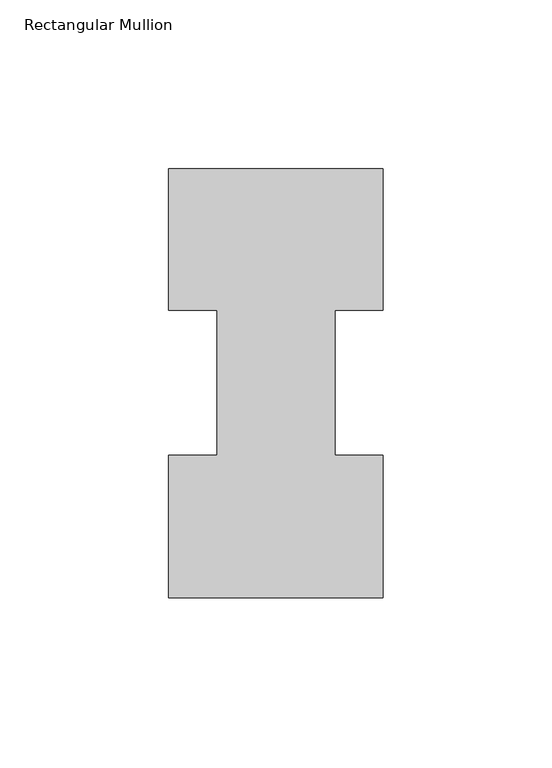
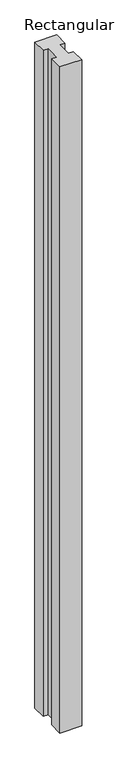
"""IFC4 building model written with IfcOpenShell, lengths in millimetres: member geometry, Rectangular Mullion."""

from ifc_helpers import new_model, si_unit, frame, origin, place, context, project, spatial, polyline, outline, extrude, source, transform, mapped, element, save


def rectangular_mullion_572fcf59(model_context):
    return source(origin(), model_context, "Body", "SweptSolid", [
        extrude(outline(polyline([(-31.75, 6.6365438), (-31.75, 48.9275438), (-17.4625, 48.9275438), (-17.4625, 91.7773438), (-31.75, 91.7773438), (-31.75, 133.6365438), (31.75, 133.6365438), (31.75, 91.7773438), (17.4625, 91.7773438), (17.4625, 48.9275438), (31.75, 48.9275438), (31.75, 6.6365438), (-31.75, 6.6365438)])), frame((0.0, 0.0, -2060.575), z_axis=(0.0, 0.0, 1.0), x_axis=(1.0, 0.0, 0.0)), (0.0, 0.0, 1.0), 2060.575),
    ])


if __name__ == "__main__":
    model = new_model("IFC4")
    model_context = context("Model", 3, world=origin())
    ifc_project = project(units=[si_unit("LENGTHUNIT", "METRE", prefix="MILLI")], contexts=[model_context])
    site = spatial("IfcSite", under=ifc_project)
    building = spatial("IfcBuilding", under=site)
    placement = place(None, origin())
    rectangular_mullion_shape = rectangular_mullion_572fcf59(model_context)
    element("IfcMember", 1, ObjectType="Rectangular Mullion", at=placement, inside=building, context=model_context, shape_type="MappedRepresentation", body=[
        mapped(rectangular_mullion_shape, transform((0.0, 0.0, 0.0), x_axis=(1.0, 0.0, 0.0), y_axis=(0.0, 1.0, 0.0), z_axis=(0.0, 0.0, 1.0))),
    ])
    save(model, "model.ifc")
